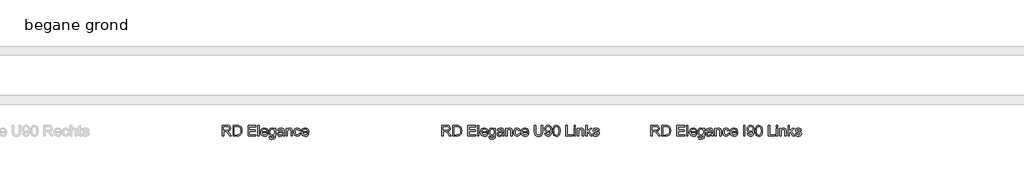
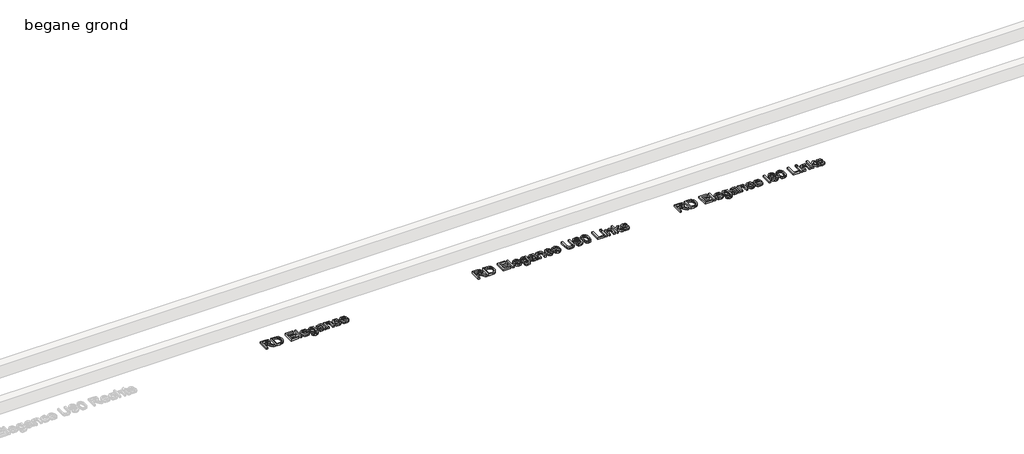
# One storey, part 3 of 3: 3 proxies.
"""IFC4 building model written with IfcOpenShell, lengths in millimetres."""

from ifc_helpers import new_model, si_unit, origin, origin_with_axes, place, context, project, spatial, polyline, outline, extrude, element, save

model = new_model("IFC4")

# Units and contexts
model_context = context("Model", 3, world=origin())
ifc_project = project(units=[si_unit("LENGTHUNIT", "METRE", prefix="MILLI")], contexts=[model_context])

# Site, building, storey
site = spatial("IfcSite", under=ifc_project)
building = spatial("IfcBuilding", under=site)
storey = spatial("IfcBuildingStorey", under=building, Name="begane grond", Elevation=0.0)

# Proxies
placement = place(None, origin())
element("IfcBuildingElementProxy", 1, Name="Generic Models", at=placement, inside=storey, context=model_context, shape_type="SweptSolid", body=[
    extrude(outline(polyline([(-500.4371783, -13739.732296), (-500.4371783, -13616.6553729), (-447.4023225, -13616.6553729), (-422.7779235, -13619.9756854), (-409.316385, -13631.7244835), (-404.2833321, -13650.3392671), (-406.3679174, -13662.4636662), (-412.6216735, -13672.5147479), (-423.2324006, -13679.8840388), (-438.3878994, -13683.9630652), (-429.643909, -13690.5435941), (-417.1739571, -13706.3789306), (-396.6511206, -13739.732296), (-414.5297263, -13739.732296), (-430.5453513, -13714.2214787), (-442.113861, -13697.3344594), (-450.2418658, -13689.356695), (-457.5585725, -13686.4270075), (-466.4828513, -13685.8861421), (-485.0525629, -13685.8861421), (-485.0525629, -13739.732296), (-500.4371783, -13739.732296)]), holes=[polyline([(-485.0525629, -13670.5015267), (-450.6174667, -13670.5015267), (-433.0543658, -13668.3230412), (-423.0784042, -13661.3518873), (-419.6679475, -13650.9101806), (-421.2942997, -13643.4056734), (-426.1733561, -13637.3584979), (-434.5680376, -13633.3696157), (-446.7412648, -13632.0399883), (-485.0525629, -13632.0399883), (-485.0525629, -13670.5015267)])]), origin_with_axes(), (0.0, 0.0, 1.0), 20.0),
    extrude(outline(polyline([(-377.3602552, -13739.732296), (-377.3602552, -13616.6553729), (-334.9023225, -13616.6553729), (-312.9371783, -13618.4282094), (-294.848236, -13627.232296), (-286.3371182, -13636.607296), (-280.2749186, -13648.2659498), (-275.4371783, -13677.5327767), (-278.7124186, -13702.3675123), (-287.1258802, -13720.2911902), (-298.363861, -13731.4540508), (-313.0723946, -13737.6289306), (-332.8590533, -13739.732296), (-377.3602552, -13739.732296)]), holes=[polyline([(-361.9756398, -13724.3476806), (-334.7520821, -13724.3476806), (-314.9503994, -13722.1241229), (-303.5321302, -13715.8440748), (-294.1721542, -13700.5646277), (-290.8217936, -13677.2923921), (-292.4631698, -13660.5255652), (-297.3872985, -13648.1457575), (-304.6626891, -13639.6421517), (-313.3578513, -13634.5039306), (-335.1727552, -13632.0399883), (-361.9756398, -13632.0399883), (-361.9756398, -13724.3476806)])]), origin_with_axes(), (0.0, 0.0, 1.0), 20.0),
    extrude(outline(polyline([(-206.206409, -13739.732296), (-206.206409, -13616.6553729), (-117.7448706, -13616.6553729), (-117.7448706, -13632.0399883), (-190.8217936, -13632.0399883), (-190.8217936, -13668.5784498), (-121.5910244, -13668.5784498), (-121.5910244, -13683.9630652), (-190.8217936, -13683.9630652), (-190.8217936, -13724.3476806), (-115.8217936, -13724.3476806), (-115.8217936, -13739.732296), (-206.206409, -13739.732296)])), origin_with_axes(), (0.0, 0.0, 1.0), 20.0),
    extrude(outline(polyline([(-94.6679475, -13739.732296), (-94.6679475, -13616.6553729), (-79.2833321, -13616.6553729), (-79.2833321, -13739.732296), (-94.6679475, -13739.732296)])), origin_with_axes(), (0.0, 0.0, 1.0), 20.0),
    extrude(outline(polyline([(7.074841, -13712.8092191), (22.1589756, -13714.732296), (16.7240297, -13726.0979811), (8.0514035, -13734.5940748), (-3.6635905, -13739.8900484), (-18.2256398, -13741.6553729), (-36.277022, -13738.6092491), (-50.1667456, -13729.4708777), (-59.0234162, -13714.8337082), (-61.9756398, -13695.2911902), (-58.9933682, -13675.0913705), (-50.0465533, -13659.9846998), (-36.3446302, -13650.5646277), (-19.097034, -13647.4246037), (-2.3865472, -13650.5571157), (10.9660669, -13659.9546517), (19.7213253, -13675.0312743), (22.6397448, -13695.201046), (22.5496006, -13699.3476806), (-46.5910244, -13699.3476806), (-43.9280136, -13710.8636061), (-37.7418658, -13719.3296517), (-28.8138309, -13724.5354811), (-17.925159, -13726.2707575), (-2.8410244, -13723.0556133), (7.074841, -13712.8092191)]), holes=[polyline([(-46.5910244, -13683.9630652), (7.2551294, -13683.9630652), (1.0952737, -13670.0207575), (-7.8740773, -13664.6121037), (-19.1571302, -13662.8092191), (-29.5274727, -13664.2477707), (-38.1024427, -13668.5634258), (-44.0632299, -13675.290439), (-46.5910244, -13683.9630652)])]), origin_with_axes(), (0.0, 0.0, 1.0), 20.0),
    extrude(outline(polyline([(34.1782064, -13747.4246037), (49.5628217, -13749.3476806), (54.5508025, -13757.4606614), (69.4846967, -13760.8861421), (85.229889, -13757.0099402), (92.7419083, -13746.1325364), (93.793591, -13728.1938344), (82.9612592, -13736.8476806), (69.7551294, -13739.732296), (53.8935008, -13736.3744234), (42.0658265, -13726.3008056), (34.7078037, -13711.5321758), (32.2551294, -13694.0892671), (36.6571727, -13670.2461181), (49.3975573, -13653.3741229), (58.4683205, -13648.9119835), (69.0039275, -13647.4246037), (82.7283866, -13650.7899883), (93.793591, -13660.8861421), (93.793591, -13649.3476806), (109.1782064, -13649.3476806), (109.1782064, -13727.3825364), (104.9714756, -13757.2653489), (91.6451535, -13771.1625844), (69.184216, -13776.2707575), (54.8700633, -13774.4716289), (43.5982785, -13769.0742431), (36.36796, -13760.063576), (34.1782064, -13747.4246037)]), holes=[polyline([(47.6397448, -13693.0375844), (49.281121, -13707.1489126), (54.2052496, -13716.8506854), (61.6083446, -13722.4734318), (70.6866198, -13724.3476806), (79.6972869, -13722.4846998), (87.1379419, -13716.8957575), (92.1296787, -13707.317933), (93.793591, -13693.4883056), (92.0808506, -13680.1507154), (86.9426294, -13670.5465989), (79.3930501, -13664.743564), (70.4462352, -13662.8092191), (61.6609287, -13664.7135159), (54.2953939, -13670.4264066), (49.3036571, -13679.8877948), (47.6397448, -13693.0375844)])]), origin_with_axes(), (0.0, 0.0, 1.0), 20.0),
    extrude(outline(polyline([(189.9474371, -13728.1938344), (175.0285669, -13738.6205171), (158.5471967, -13741.6553729), (145.6903758, -13739.8299522), (136.2064515, -13734.3536902), (130.3583446, -13726.0378849), (128.4089756, -13715.6938344), (131.3536871, -13703.5243633), (139.0910669, -13694.6902287), (149.8633025, -13689.6421517), (163.1746006, -13687.3284498), (189.8572929, -13682.0399883), (189.9474371, -13678.6145075), (185.7106583, -13667.2563344), (168.7034467, -13662.8092191), (153.1385429, -13665.7689546), (145.7166679, -13676.2707575), (130.3320525, -13674.3476806), (136.9877015, -13659.3236421), (150.3891439, -13650.5195556), (170.6866198, -13647.4246037), (189.3314515, -13650.1589787), (199.8633025, -13657.0249642), (204.5808506, -13667.466671), (205.3320525, -13680.9282094), (205.3320525, -13700.0688344), (206.1133025, -13726.7965989), (209.1782064, -13739.732296), (193.793591, -13739.732296), (189.9474371, -13728.1938344)]), holes=[polyline([(189.9474371, -13697.4246037), (165.1277256, -13702.1421517), (151.8915477, -13704.6361421), (145.8969564, -13708.6926325), (143.793591, -13714.6121037), (148.3759227, -13722.935421), (161.8224371, -13726.2707575), (177.387341, -13722.5898681), (187.4233987, -13713.6806133), (189.8572929, -13701.7815748), (189.9474371, -13697.4246037)])]), origin_with_axes(), (0.0, 0.0, 1.0), 20.0),
    extrude(outline(polyline([(226.4858987, -13739.732296), (226.4858987, -13649.3476806), (241.870514, -13649.3476806), (241.870514, -13661.9678729), (253.6343362, -13651.060421), (269.6950333, -13647.4246037), (284.2232785, -13650.3542912), (294.1391439, -13658.0465989), (298.7515237, -13669.3596998), (299.5628217, -13684.2334979), (299.5628217, -13739.732296), (284.1782064, -13739.732296), (284.1782064, -13686.3068152), (282.4053698, -13672.6950364), (276.1403458, -13665.4985219), (265.5784467, -13662.8092191), (256.5677797, -13664.3191349), (248.88674, -13668.8488825), (243.6245705, -13677.6003849), (241.870514, -13691.7755652), (241.870514, -13739.732296), (226.4858987, -13739.732296)])), origin_with_axes(), (0.0, 0.0, 1.0), 20.0),
    extrude(outline(polyline([(378.4089756, -13707.0399883), (393.793591, -13708.9630652), (389.504228, -13722.6462082), (381.4438314, -13732.9865027), (370.371115, -13739.4881553), (357.0447929, -13741.6553729), (340.679859, -13738.6317852), (327.8831342, -13729.5610219), (319.6236691, -13714.8412203), (316.870514, -13694.8705171), (321.5730381, -13669.3146277), (327.5075333, -13659.7330472), (335.9059708, -13652.8933537), (356.8344564, -13647.4246037), (369.8340056, -13649.3026085), (380.2268842, -13654.9366229), (387.6825633, -13664.0261662), (391.870514, -13676.2707575), (376.4858987, -13678.1938344), (369.3494804, -13666.6703969), (356.9546487, -13662.8092191), (347.0124912, -13664.7097599), (339.121115, -13670.4113825), (333.9716258, -13680.2220796), (332.2551294, -13694.4498441), (333.9340657, -13708.869165), (338.9708746, -13718.7136662), (346.7195225, -13724.3814847), (356.5339756, -13726.2707575), (371.0321727, -13721.5532094), (378.4089756, -13707.0399883)])), origin_with_axes(), (0.0, 0.0, 1.0), 20.0),
    extrude(outline(polyline([(470.5363794, -13712.8092191), (485.620514, -13714.732296), (480.1855681, -13726.0979811), (471.5129419, -13734.5940748), (459.7979479, -13739.8900484), (445.2358987, -13741.6553729), (427.1845165, -13738.6092491), (413.2947929, -13729.4708777), (404.4381222, -13714.8337082), (401.4858987, -13695.2911902), (404.4681703, -13675.0913705), (413.4149852, -13659.9846998), (427.1169083, -13650.5646277), (444.3645044, -13647.4246037), (461.0749912, -13650.5571157), (474.4276054, -13659.9546517), (483.1828638, -13675.0312743), (486.1012833, -13695.201046), (486.011139, -13699.3476806), (416.870514, -13699.3476806), (419.5335249, -13710.8636061), (425.7196727, -13719.3296517), (434.6477076, -13724.5354811), (445.5363794, -13726.2707575), (460.620514, -13723.0556133), (470.5363794, -13712.8092191)]), holes=[polyline([(416.870514, -13683.9630652), (470.7166679, -13683.9630652), (464.5568121, -13670.0207575), (455.5874612, -13664.6121037), (444.3044083, -13662.8092191), (433.9340657, -13664.2477707), (425.3590958, -13668.5634258), (419.3983085, -13675.290439), (416.870514, -13683.9630652)])]), origin_with_axes(), (0.0, 0.0, 1.0), 20.0),
])
element("IfcBuildingElementProxy", 2, Name="Generic Models", at=placement, inside=storey, context=model_context, shape_type="SweptSolid", body=[
    extrude(outline(polyline([(4381.4858987, -13739.732296), (4381.4858987, -13616.6553729), (4434.5207544, -13616.6553729), (4459.1451535, -13619.9756854), (4472.6066919, -13631.7244835), (4477.6397448, -13650.3392671), (4475.5551595, -13662.4636662), (4469.3014035, -13672.5147479), (4458.6906763, -13679.8840388), (4443.5351775, -13683.9630652), (4452.2791679, -13690.5435941), (4464.7491198, -13706.3789306), (4485.2719564, -13739.732296), (4467.3933506, -13739.732296), (4451.3777256, -13714.2214787), (4439.809216, -13697.3344594), (4431.6812112, -13689.356695), (4424.3645044, -13686.4270075), (4415.4402256, -13685.8861421), (4396.870514, -13685.8861421), (4396.870514, -13739.732296), (4381.4858987, -13739.732296)]), holes=[polyline([(4396.870514, -13670.5015267), (4431.3056102, -13670.5015267), (4448.8687112, -13668.3230412), (4458.8446727, -13661.3518873), (4462.2551294, -13650.9101806), (4460.6287773, -13643.4056734), (4455.7497208, -13637.3584979), (4447.3550393, -13633.3696157), (4435.1818121, -13632.0399883), (4396.870514, -13632.0399883), (4396.870514, -13670.5015267)])]), origin_with_axes(), (0.0, 0.0, 1.0), 20.0),
    extrude(outline(polyline([(4504.5628217, -13739.732296), (4504.5628217, -13616.6553729), (4547.0207544, -13616.6553729), (4568.9858987, -13618.4282094), (4587.074841, -13627.232296), (4595.5859588, -13636.607296), (4601.6481583, -13648.2659498), (4606.4858987, -13677.5327767), (4603.2106583, -13702.3675123), (4594.7971967, -13720.2911902), (4583.559216, -13731.4540508), (4568.8506823, -13737.6289306), (4549.0640237, -13739.732296), (4504.5628217, -13739.732296)]), holes=[polyline([(4519.9474371, -13724.3476806), (4547.1709948, -13724.3476806), (4566.9726775, -13722.1241229), (4578.3909467, -13715.8440748), (4587.7509227, -13700.5646277), (4591.1012833, -13677.2923921), (4589.4599071, -13660.5255652), (4584.5357785, -13648.1457575), (4577.2603878, -13639.6421517), (4568.5652256, -13634.5039306), (4546.7503217, -13632.0399883), (4519.9474371, -13632.0399883), (4519.9474371, -13724.3476806)])]), origin_with_axes(), (0.0, 0.0, 1.0), 20.0),
    extrude(outline(polyline([(4675.7166679, -13739.732296), (4675.7166679, -13616.6553729), (4764.1782064, -13616.6553729), (4764.1782064, -13632.0399883), (4691.1012833, -13632.0399883), (4691.1012833, -13668.5784498), (4760.3320525, -13668.5784498), (4760.3320525, -13683.9630652), (4691.1012833, -13683.9630652), (4691.1012833, -13724.3476806), (4766.1012833, -13724.3476806), (4766.1012833, -13739.732296), (4675.7166679, -13739.732296)])), origin_with_axes(), (0.0, 0.0, 1.0), 20.0),
    extrude(outline(polyline([(4787.2551294, -13739.732296), (4787.2551294, -13616.6553729), (4802.6397448, -13616.6553729), (4802.6397448, -13739.732296), (4787.2551294, -13739.732296)])), origin_with_axes(), (0.0, 0.0, 1.0), 20.0),
    extrude(outline(polyline([(4888.9979179, -13712.8092191), (4904.0820525, -13714.732296), (4898.6471066, -13726.0979811), (4889.9744804, -13734.5940748), (4878.2594864, -13739.8900484), (4863.6974371, -13741.6553729), (4845.6460549, -13738.6092491), (4831.7563314, -13729.4708777), (4822.8996607, -13714.8337082), (4819.9474371, -13695.2911902), (4822.9297088, -13675.0913705), (4831.8765237, -13659.9846998), (4845.5784467, -13650.5646277), (4862.8260429, -13647.4246037), (4879.5365297, -13650.5571157), (4892.8891439, -13659.9546517), (4901.6444023, -13675.0312743), (4904.5628217, -13695.201046), (4904.4726775, -13699.3476806), (4835.3320525, -13699.3476806), (4837.9950633, -13710.8636061), (4844.1812112, -13719.3296517), (4853.109246, -13724.5354811), (4863.9979179, -13726.2707575), (4879.0820525, -13723.0556133), (4888.9979179, -13712.8092191)]), holes=[polyline([(4835.3320525, -13683.9630652), (4889.1782064, -13683.9630652), (4883.0183506, -13670.0207575), (4874.0489996, -13664.6121037), (4862.7659467, -13662.8092191), (4852.3956042, -13664.2477707), (4843.8206342, -13668.5634258), (4837.859847, -13675.290439), (4835.3320525, -13683.9630652)])]), origin_with_axes(), (0.0, 0.0, 1.0), 20.0),
    extrude(outline(polyline([(4916.1012833, -13747.4246037), (4931.4858987, -13749.3476806), (4936.4738794, -13757.4606614), (4951.4077737, -13760.8861421), (4967.152966, -13757.0099402), (4974.6649852, -13746.1325364), (4975.7166679, -13728.1938344), (4964.8843362, -13736.8476806), (4951.6782064, -13739.732296), (4935.8165778, -13736.3744234), (4923.9889035, -13726.3008056), (4916.6308806, -13711.5321758), (4914.1782064, -13694.0892671), (4918.5802496, -13670.2461181), (4931.3206342, -13653.3741229), (4940.3913975, -13648.9119835), (4950.9270044, -13647.4246037), (4964.6514636, -13650.7899883), (4975.7166679, -13660.8861421), (4975.7166679, -13649.3476806), (4991.1012833, -13649.3476806), (4991.1012833, -13727.3825364), (4986.8945525, -13757.2653489), (4973.5682304, -13771.1625844), (4951.1072929, -13776.2707575), (4936.7931403, -13774.4716289), (4925.5213554, -13769.0742431), (4918.2910369, -13760.063576), (4916.1012833, -13747.4246037)]), holes=[polyline([(4929.5628217, -13693.0375844), (4931.2041979, -13707.1489126), (4936.1283265, -13716.8506854), (4943.5314215, -13722.4734318), (4952.6096967, -13724.3476806), (4961.6203638, -13722.4846998), (4969.0610189, -13716.8957575), (4974.0527556, -13707.317933), (4975.7166679, -13693.4883056), (4974.0039275, -13680.1507154), (4968.8657064, -13670.5465989), (4961.316127, -13664.743564), (4952.3693121, -13662.8092191), (4943.5840056, -13664.7135159), (4936.2184708, -13670.4264066), (4931.226734, -13679.8877948), (4929.5628217, -13693.0375844)])]), origin_with_axes(), (0.0, 0.0, 1.0), 20.0),
    extrude(outline(polyline([(5071.870514, -13728.1938344), (5056.9516439, -13738.6205171), (5040.4702737, -13741.6553729), (5027.6134528, -13739.8299522), (5018.1295285, -13734.3536902), (5012.2814215, -13726.0378849), (5010.3320525, -13715.6938344), (5013.276764, -13703.5243633), (5021.0141439, -13694.6902287), (5031.7863794, -13689.6421517), (5045.0976775, -13687.3284498), (5071.7803698, -13682.0399883), (5071.870514, -13678.6145075), (5067.6337352, -13667.2563344), (5050.6265237, -13662.8092191), (5035.0616198, -13665.7689546), (5027.6397448, -13676.2707575), (5012.2551294, -13674.3476806), (5018.9107785, -13659.3236421), (5032.3122208, -13650.5195556), (5052.6096967, -13647.4246037), (5071.2545285, -13650.1589787), (5081.7863794, -13657.0249642), (5086.5039275, -13667.466671), (5087.2551294, -13680.9282094), (5087.2551294, -13700.0688344), (5088.0363794, -13726.7965989), (5091.1012833, -13739.732296), (5075.7166679, -13739.732296), (5071.870514, -13728.1938344)]), holes=[polyline([(5071.870514, -13697.4246037), (5047.0508025, -13702.1421517), (5033.8146246, -13704.6361421), (5027.8200333, -13708.6926325), (5025.7166679, -13714.6121037), (5030.2989996, -13722.935421), (5043.745514, -13726.2707575), (5059.3104179, -13722.5898681), (5069.3464756, -13713.6806133), (5071.7803698, -13701.7815748), (5071.870514, -13697.4246037)])]), origin_with_axes(), (0.0, 0.0, 1.0), 20.0),
    extrude(outline(polyline([(5108.4089756, -13739.732296), (5108.4089756, -13649.3476806), (5123.793591, -13649.3476806), (5123.793591, -13661.9678729), (5135.5574131, -13651.060421), (5151.6181102, -13647.4246037), (5166.1463554, -13650.3542912), (5176.0622208, -13658.0465989), (5180.6746006, -13669.3596998), (5181.4858987, -13684.2334979), (5181.4858987, -13739.732296), (5166.1012833, -13739.732296), (5166.1012833, -13686.3068152), (5164.3284467, -13672.6950364), (5158.0634227, -13665.4985219), (5147.5015237, -13662.8092191), (5138.4908566, -13664.3191349), (5130.8098169, -13668.8488825), (5125.5476475, -13677.6003849), (5123.793591, -13691.7755652), (5123.793591, -13739.732296), (5108.4089756, -13739.732296)])), origin_with_axes(), (0.0, 0.0, 1.0), 20.0),
    extrude(outline(polyline([(5260.3320525, -13707.0399883), (5275.7166679, -13708.9630652), (5271.4273049, -13722.6462082), (5263.3669083, -13732.9865027), (5252.2941919, -13739.4881553), (5238.9678698, -13741.6553729), (5222.6029359, -13738.6317852), (5209.8062112, -13729.5610219), (5201.546746, -13714.8412203), (5198.793591, -13694.8705171), (5203.496115, -13669.3146277), (5209.4306102, -13659.7330472), (5217.8290477, -13652.8933537), (5238.7575333, -13647.4246037), (5251.7570826, -13649.3026085), (5262.1499612, -13654.9366229), (5269.6056403, -13664.0261662), (5273.793591, -13676.2707575), (5258.4089756, -13678.1938344), (5251.2725573, -13666.6703969), (5238.8777256, -13662.8092191), (5228.9355681, -13664.7097599), (5221.0441919, -13670.4113825), (5215.8947028, -13680.2220796), (5214.1782064, -13694.4498441), (5215.8571427, -13708.869165), (5220.8939515, -13718.7136662), (5228.6425994, -13724.3814847), (5238.4570525, -13726.2707575), (5252.9552496, -13721.5532094), (5260.3320525, -13707.0399883)])), origin_with_axes(), (0.0, 0.0, 1.0), 20.0),
    extrude(outline(polyline([(5352.4594564, -13712.8092191), (5367.543591, -13714.732296), (5362.1086451, -13726.0979811), (5353.4360189, -13734.5940748), (5341.7210249, -13739.8900484), (5327.1589756, -13741.6553729), (5309.1075934, -13738.6092491), (5295.2178698, -13729.4708777), (5286.3611991, -13714.8337082), (5283.4089756, -13695.2911902), (5286.3912472, -13675.0913705), (5295.3380621, -13659.9846998), (5309.0399852, -13650.5646277), (5326.2875814, -13647.4246037), (5342.9980681, -13650.5571157), (5356.3506823, -13659.9546517), (5365.1059407, -13675.0312743), (5368.0243602, -13695.201046), (5367.934216, -13699.3476806), (5298.793591, -13699.3476806), (5301.4566018, -13710.8636061), (5307.6427496, -13719.3296517), (5316.5707845, -13724.5354811), (5327.4594564, -13726.2707575), (5342.543591, -13723.0556133), (5352.4594564, -13712.8092191)]), holes=[polyline([(5298.793591, -13683.9630652), (5352.6397448, -13683.9630652), (5346.479889, -13670.0207575), (5337.5105381, -13664.6121037), (5326.2274852, -13662.8092191), (5315.8571427, -13664.2477707), (5307.2821727, -13668.5634258), (5301.3213854, -13675.290439), (5298.793591, -13683.9630652)])]), origin_with_axes(), (0.0, 0.0, 1.0), 20.0),
    extrude(outline(polyline([(5435.3320525, -13739.732296), (5435.3320525, -13616.6553729), (5450.7166679, -13616.6553729), (5450.7166679, -13739.732296), (5435.3320525, -13739.732296)])), origin_with_axes(), (0.0, 0.0, 1.0), 20.0),
    extrude(outline(polyline([(5477.6397448, -13708.9630652), (5493.0243602, -13707.0399883), (5499.9354179, -13721.7184739), (5513.0363794, -13726.2707575), (5525.4913073, -13723.34107), (5533.9348169, -13715.513546), (5538.9678698, -13702.1421517), (5541.1914275, -13684.2935941), (5541.1012833, -13681.2887864), (5528.7965958, -13692.9474402), (5511.9246006, -13697.4246037), (5497.8959047, -13694.6902287), (5486.2184708, -13686.4871037), (5478.3421186, -13673.8143272), (5475.7166679, -13657.6709979), (5478.4698229, -13640.9943152), (5486.7292881, -13627.9234017), (5499.1353878, -13619.4723801), (5514.3284467, -13616.6553729), (5525.8030561, -13618.262945), (5536.2485189, -13623.0856614), (5544.9849972, -13630.8831373), (5551.3326535, -13641.4149883), (5555.1975874, -13655.9732816), (5556.4858987, -13675.8500844), (5555.2013434, -13696.9250544), (5551.3476775, -13713.2148681), (5544.9587052, -13725.4557034), (5536.0682304, -13734.3837383), (5525.0593662, -13739.8374642), (5512.3152256, -13741.6553729), (5499.1616799, -13739.5106914), (5488.667389, -13733.0766469), (5481.3281463, -13722.7588885), (5477.6397448, -13708.9630652)]), holes=[polyline([(5541.1012833, -13657.310421), (5539.441127, -13646.8837383), (5534.4606583, -13638.8609017), (5526.7307905, -13633.7452166), (5516.8224371, -13632.0399883), (5506.5459948, -13633.876677), (5498.3128217, -13639.3867431), (5492.9041679, -13647.8189847), (5491.1012833, -13658.4221998), (5492.8065116, -13667.9286602), (5497.9221967, -13675.4744835), (5505.9525453, -13680.3986121), (5516.401764, -13682.0399883), (5526.2312412, -13680.3986121), (5534.1451535, -13675.4744835), (5539.3622508, -13667.6507154), (5541.1012833, -13657.310421)])]), origin_with_axes(), (0.0, 0.0, 1.0), 20.0),
    extrude(outline(polyline([(5569.9474371, -13679.185421), (5574.4696727, -13643.7737623), (5580.0886631, -13631.8108717), (5587.9011631, -13623.3560941), (5597.9635128, -13618.3305532), (5610.3320525, -13616.6553729), (5628.3008025, -13620.6217191), (5640.7106583, -13632.0550123), (5647.9221967, -13650.2641469), (5650.7166679, -13679.185421), (5646.2395044, -13714.4468392), (5640.6543181, -13726.4209979), (5632.8530862, -13734.9095796), (5622.7682003, -13739.9689246), (5610.3320525, -13741.6553729), (5594.3464756, -13738.7256854), (5582.2070525, -13729.9366229), (5573.012341, -13709.1208176), (5569.9474371, -13679.185421)]), holes=[polyline([(5585.3320525, -13679.1553729), (5587.1349371, -13703.3553428), (5592.543591, -13717.3615027), (5600.5964756, -13724.0434438), (5610.3320525, -13726.2707575), (5620.0676294, -13724.0359318), (5628.120514, -13717.3314546), (5633.5291679, -13703.3177828), (5635.3320525, -13679.1553729), (5633.589264, -13655.5000243), (5628.3608987, -13641.3849402), (5620.3230381, -13634.3762263), (5610.151764, -13632.0399883), (5600.5213554, -13634.0982816), (5592.7839756, -13640.2731614), (5587.1950333, -13655.2671517), (5585.3320525, -13679.1553729)])]), origin_with_axes(), (0.0, 0.0, 1.0), 20.0),
    extrude(outline(polyline([(5718.0243602, -13739.732296), (5718.0243602, -13616.6553729), (5733.4089756, -13616.6553729), (5733.4089756, -13724.3476806), (5794.9474371, -13724.3476806), (5794.9474371, -13739.732296), (5718.0243602, -13739.732296)])), origin_with_axes(), (0.0, 0.0, 1.0), 20.0),
    extrude(outline(polyline([(5810.3320525, -13739.732296), (5810.3320525, -13649.3476806), (5825.7166679, -13649.3476806), (5825.7166679, -13739.732296), (5810.3320525, -13739.732296)])), origin_with_axes(), (0.0, 0.0, 1.0), 20.0),
    extrude(outline(polyline([(5810.3320525, -13632.0399883), (5810.3320525, -13616.6553729), (5825.7166679, -13616.6553729), (5825.7166679, -13632.0399883), (5810.3320525, -13632.0399883)])), origin_with_axes(), (0.0, 0.0, 1.0), 20.0),
    extrude(outline(polyline([(5848.793591, -13739.732296), (5848.793591, -13649.3476806), (5864.1782064, -13649.3476806), (5864.1782064, -13661.9678729), (5875.9420285, -13651.060421), (5892.0027256, -13647.4246037), (5906.5309708, -13650.3542912), (5916.4468362, -13658.0465989), (5921.059216, -13669.3596998), (5921.870514, -13684.2334979), (5921.870514, -13739.732296), (5906.4858987, -13739.732296), (5906.4858987, -13686.3068152), (5904.7130621, -13672.6950364), (5898.4480381, -13665.4985219), (5887.886139, -13662.8092191), (5878.875472, -13664.3191349), (5871.1944323, -13668.8488825), (5865.9322628, -13677.6003849), (5864.1782064, -13691.7755652), (5864.1782064, -13739.732296), (5848.793591, -13739.732296)])), origin_with_axes(), (0.0, 0.0, 1.0), 20.0),
    extrude(outline(polyline([(5943.0243602, -13739.732296), (5943.0243602, -13616.6553729), (5958.4089756, -13616.6553729), (5958.4089756, -13682.7911902), (5992.9041679, -13649.3476806), (6014.1782064, -13649.3476806), (5979.262341, -13683.2118633), (6016.1012833, -13739.732296), (5998.1325333, -13739.732296), (5968.2346967, -13693.9089787), (5958.4089756, -13703.4342191), (5958.4089756, -13739.732296), (5943.0243602, -13739.732296)])), origin_with_axes(), (0.0, 0.0, 1.0), 20.0),
    extrude(outline(polyline([(6023.793591, -13712.8092191), (6039.1782064, -13710.8861421), (6046.2996006, -13722.3044114), (6062.6157064, -13726.2707575), (6078.3008025, -13722.6349402), (6083.4089756, -13714.1012864), (6078.2707544, -13707.1902287), (6062.4354179, -13702.8032094), (6039.2683506, -13695.2761662), (6029.1571727, -13686.4871037), (6025.7166679, -13674.0772479), (6028.481091, -13662.6139066), (6036.0231583, -13653.8548921), (6045.8038073, -13649.3026085), (6059.0399852, -13647.4246037), (6077.7599371, -13650.4444354), (6089.6589756, -13658.6175123), (6094.9474371, -13672.4246037), (6079.5628217, -13674.3476806), (6073.7785669, -13665.8590989), (6060.2419083, -13662.8092191), (6045.5183506, -13665.7238825), (6041.1012833, -13672.5147479), (6042.934216, -13676.9919114), (6048.6733987, -13680.3873441), (6061.9246006, -13683.6625844), (6084.5057304, -13690.904171), (6094.9925092, -13699.107296), (6098.793591, -13712.4786902), (6094.3314515, -13727.2022479), (6081.4558506, -13737.8843392), (6062.4053698, -13741.6553729), (6046.8930501, -13739.8374642), (6035.5724371, -13734.3837383), (6028.0153458, -13725.3542912), (6023.793591, -13712.8092191)])), origin_with_axes(), (0.0, 0.0, 1.0), 20.0),
])
element("IfcBuildingElementProxy", 3, Name="Generic Models", at=placement, inside=storey, context=model_context, shape_type="SweptSolid", body=[
    extrude(outline(polyline([(2001.4858987, -13739.732296), (2001.4858987, -13616.6553729), (2054.5207544, -13616.6553729), (2079.1451535, -13619.9756854), (2092.6066919, -13631.7244835), (2097.6397448, -13650.3392671), (2095.5551595, -13662.4636662), (2089.3014035, -13672.5147479), (2078.6906763, -13679.8840388), (2063.5351775, -13683.9630652), (2072.2791679, -13690.5435941), (2084.7491198, -13706.3789306), (2105.2719564, -13739.732296), (2087.3933506, -13739.732296), (2071.3777256, -13714.2214787), (2059.809216, -13697.3344594), (2051.6812112, -13689.356695), (2044.3645044, -13686.4270075), (2035.4402256, -13685.8861421), (2016.870514, -13685.8861421), (2016.870514, -13739.732296), (2001.4858987, -13739.732296)]), holes=[polyline([(2016.870514, -13670.5015267), (2051.3056102, -13670.5015267), (2068.8687112, -13668.3230412), (2078.8446727, -13661.3518873), (2082.2551294, -13650.9101806), (2080.6287773, -13643.4056734), (2075.7497208, -13637.3584979), (2067.3550393, -13633.3696157), (2055.1818121, -13632.0399883), (2016.870514, -13632.0399883), (2016.870514, -13670.5015267)])]), origin_with_axes(), (0.0, 0.0, 1.0), 20.0),
    extrude(outline(polyline([(2124.5628217, -13739.732296), (2124.5628217, -13616.6553729), (2167.0207544, -13616.6553729), (2188.9858987, -13618.4282094), (2207.074841, -13627.232296), (2215.5859588, -13636.607296), (2221.6481583, -13648.2659498), (2226.4858987, -13677.5327767), (2223.2106583, -13702.3675123), (2214.7971967, -13720.2911902), (2203.559216, -13731.4540508), (2188.8506823, -13737.6289306), (2169.0640237, -13739.732296), (2124.5628217, -13739.732296)]), holes=[polyline([(2139.9474371, -13724.3476806), (2167.1709948, -13724.3476806), (2186.9726775, -13722.1241229), (2198.3909467, -13715.8440748), (2207.7509227, -13700.5646277), (2211.1012833, -13677.2923921), (2209.4599071, -13660.5255652), (2204.5357785, -13648.1457575), (2197.2603878, -13639.6421517), (2188.5652256, -13634.5039306), (2166.7503217, -13632.0399883), (2139.9474371, -13632.0399883), (2139.9474371, -13724.3476806)])]), origin_with_axes(), (0.0, 0.0, 1.0), 20.0),
    extrude(outline(polyline([(2295.7166679, -13739.732296), (2295.7166679, -13616.6553729), (2384.1782064, -13616.6553729), (2384.1782064, -13632.0399883), (2311.1012833, -13632.0399883), (2311.1012833, -13668.5784498), (2380.3320525, -13668.5784498), (2380.3320525, -13683.9630652), (2311.1012833, -13683.9630652), (2311.1012833, -13724.3476806), (2386.1012833, -13724.3476806), (2386.1012833, -13739.732296), (2295.7166679, -13739.732296)])), origin_with_axes(), (0.0, 0.0, 1.0), 20.0),
    extrude(outline(polyline([(2407.2551294, -13739.732296), (2407.2551294, -13616.6553729), (2422.6397448, -13616.6553729), (2422.6397448, -13739.732296), (2407.2551294, -13739.732296)])), origin_with_axes(), (0.0, 0.0, 1.0), 20.0),
    extrude(outline(polyline([(2508.9979179, -13712.8092191), (2524.0820525, -13714.732296), (2518.6471066, -13726.0979811), (2509.9744804, -13734.5940748), (2498.2594864, -13739.8900484), (2483.6974371, -13741.6553729), (2465.6460549, -13738.6092491), (2451.7563314, -13729.4708777), (2442.8996607, -13714.8337082), (2439.9474371, -13695.2911902), (2442.9297088, -13675.0913705), (2451.8765237, -13659.9846998), (2465.5784467, -13650.5646277), (2482.8260429, -13647.4246037), (2499.5365297, -13650.5571157), (2512.8891439, -13659.9546517), (2521.6444023, -13675.0312743), (2524.5628217, -13695.201046), (2524.4726775, -13699.3476806), (2455.3320525, -13699.3476806), (2457.9950633, -13710.8636061), (2464.1812112, -13719.3296517), (2473.109246, -13724.5354811), (2483.9979179, -13726.2707575), (2499.0820525, -13723.0556133), (2508.9979179, -13712.8092191)]), holes=[polyline([(2455.3320525, -13683.9630652), (2509.1782064, -13683.9630652), (2503.0183506, -13670.0207575), (2494.0489996, -13664.6121037), (2482.7659467, -13662.8092191), (2472.3956042, -13664.2477707), (2463.8206342, -13668.5634258), (2457.859847, -13675.290439), (2455.3320525, -13683.9630652)])]), origin_with_axes(), (0.0, 0.0, 1.0), 20.0),
    extrude(outline(polyline([(2536.1012833, -13747.4246037), (2551.4858987, -13749.3476806), (2556.4738794, -13757.4606614), (2571.4077737, -13760.8861421), (2587.152966, -13757.0099402), (2594.6649852, -13746.1325364), (2595.7166679, -13728.1938344), (2584.8843362, -13736.8476806), (2571.6782064, -13739.732296), (2555.8165778, -13736.3744234), (2543.9889035, -13726.3008056), (2536.6308806, -13711.5321758), (2534.1782064, -13694.0892671), (2538.5802496, -13670.2461181), (2551.3206342, -13653.3741229), (2560.3913975, -13648.9119835), (2570.9270044, -13647.4246037), (2584.6514636, -13650.7899883), (2595.7166679, -13660.8861421), (2595.7166679, -13649.3476806), (2611.1012833, -13649.3476806), (2611.1012833, -13727.3825364), (2606.8945525, -13757.2653489), (2593.5682304, -13771.1625844), (2571.1072929, -13776.2707575), (2556.7931403, -13774.4716289), (2545.5213554, -13769.0742431), (2538.2910369, -13760.063576), (2536.1012833, -13747.4246037)]), holes=[polyline([(2549.5628217, -13693.0375844), (2551.2041979, -13707.1489126), (2556.1283265, -13716.8506854), (2563.5314215, -13722.4734318), (2572.6096967, -13724.3476806), (2581.6203638, -13722.4846998), (2589.0610189, -13716.8957575), (2594.0527556, -13707.317933), (2595.7166679, -13693.4883056), (2594.0039275, -13680.1507154), (2588.8657064, -13670.5465989), (2581.316127, -13664.743564), (2572.3693121, -13662.8092191), (2563.5840056, -13664.7135159), (2556.2184708, -13670.4264066), (2551.226734, -13679.8877948), (2549.5628217, -13693.0375844)])]), origin_with_axes(), (0.0, 0.0, 1.0), 20.0),
    extrude(outline(polyline([(2691.870514, -13728.1938344), (2676.9516439, -13738.6205171), (2660.4702737, -13741.6553729), (2647.6134528, -13739.8299522), (2638.1295285, -13734.3536902), (2632.2814215, -13726.0378849), (2630.3320525, -13715.6938344), (2633.276764, -13703.5243633), (2641.0141439, -13694.6902287), (2651.7863794, -13689.6421517), (2665.0976775, -13687.3284498), (2691.7803698, -13682.0399883), (2691.870514, -13678.6145075), (2687.6337352, -13667.2563344), (2670.6265237, -13662.8092191), (2655.0616198, -13665.7689546), (2647.6397448, -13676.2707575), (2632.2551294, -13674.3476806), (2638.9107785, -13659.3236421), (2652.3122208, -13650.5195556), (2672.6096967, -13647.4246037), (2691.2545285, -13650.1589787), (2701.7863794, -13657.0249642), (2706.5039275, -13667.466671), (2707.2551294, -13680.9282094), (2707.2551294, -13700.0688344), (2708.0363794, -13726.7965989), (2711.1012833, -13739.732296), (2695.7166679, -13739.732296), (2691.870514, -13728.1938344)]), holes=[polyline([(2691.870514, -13697.4246037), (2667.0508025, -13702.1421517), (2653.8146246, -13704.6361421), (2647.8200333, -13708.6926325), (2645.7166679, -13714.6121037), (2650.2989996, -13722.935421), (2663.745514, -13726.2707575), (2679.3104179, -13722.5898681), (2689.3464756, -13713.6806133), (2691.7803698, -13701.7815748), (2691.870514, -13697.4246037)])]), origin_with_axes(), (0.0, 0.0, 1.0), 20.0),
    extrude(outline(polyline([(2728.4089756, -13739.732296), (2728.4089756, -13649.3476806), (2743.793591, -13649.3476806), (2743.793591, -13661.9678729), (2755.5574131, -13651.060421), (2771.6181102, -13647.4246037), (2786.1463554, -13650.3542912), (2796.0622208, -13658.0465989), (2800.6746006, -13669.3596998), (2801.4858987, -13684.2334979), (2801.4858987, -13739.732296), (2786.1012833, -13739.732296), (2786.1012833, -13686.3068152), (2784.3284467, -13672.6950364), (2778.0634227, -13665.4985219), (2767.5015237, -13662.8092191), (2758.4908566, -13664.3191349), (2750.8098169, -13668.8488825), (2745.5476475, -13677.6003849), (2743.793591, -13691.7755652), (2743.793591, -13739.732296), (2728.4089756, -13739.732296)])), origin_with_axes(), (0.0, 0.0, 1.0), 20.0),
    extrude(outline(polyline([(2880.3320525, -13707.0399883), (2895.7166679, -13708.9630652), (2891.4273049, -13722.6462082), (2883.3669083, -13732.9865027), (2872.2941919, -13739.4881553), (2858.9678698, -13741.6553729), (2842.6029359, -13738.6317852), (2829.8062112, -13729.5610219), (2821.546746, -13714.8412203), (2818.793591, -13694.8705171), (2823.496115, -13669.3146277), (2829.4306102, -13659.7330472), (2837.8290477, -13652.8933537), (2858.7575333, -13647.4246037), (2871.7570826, -13649.3026085), (2882.1499612, -13654.9366229), (2889.6056403, -13664.0261662), (2893.793591, -13676.2707575), (2878.4089756, -13678.1938344), (2871.2725573, -13666.6703969), (2858.8777256, -13662.8092191), (2848.9355681, -13664.7097599), (2841.0441919, -13670.4113825), (2835.8947028, -13680.2220796), (2834.1782064, -13694.4498441), (2835.8571427, -13708.869165), (2840.8939515, -13718.7136662), (2848.6425994, -13724.3814847), (2858.4570525, -13726.2707575), (2872.9552496, -13721.5532094), (2880.3320525, -13707.0399883)])), origin_with_axes(), (0.0, 0.0, 1.0), 20.0),
    extrude(outline(polyline([(2972.4594564, -13712.8092191), (2987.543591, -13714.732296), (2982.1086451, -13726.0979811), (2973.4360189, -13734.5940748), (2961.7210249, -13739.8900484), (2947.1589756, -13741.6553729), (2929.1075934, -13738.6092491), (2915.2178698, -13729.4708777), (2906.3611991, -13714.8337082), (2903.4089756, -13695.2911902), (2906.3912472, -13675.0913705), (2915.3380621, -13659.9846998), (2929.0399852, -13650.5646277), (2946.2875814, -13647.4246037), (2962.9980681, -13650.5571157), (2976.3506823, -13659.9546517), (2985.1059407, -13675.0312743), (2988.0243602, -13695.201046), (2987.934216, -13699.3476806), (2918.793591, -13699.3476806), (2921.4566018, -13710.8636061), (2927.6427496, -13719.3296517), (2936.5707845, -13724.5354811), (2947.4594564, -13726.2707575), (2962.543591, -13723.0556133), (2972.4594564, -13712.8092191)]), holes=[polyline([(2918.793591, -13683.9630652), (2972.6397448, -13683.9630652), (2966.479889, -13670.0207575), (2957.5105381, -13664.6121037), (2946.2274852, -13662.8092191), (2935.8571427, -13664.2477707), (2927.2821727, -13668.5634258), (2921.3213854, -13675.290439), (2918.793591, -13683.9630652)])]), origin_with_axes(), (0.0, 0.0, 1.0), 20.0),
    extrude(outline(polyline([(3134.1782064, -13616.6553729), (3149.5628217, -13616.6553729), (3149.5628217, -13687.6589787), (3145.386139, -13717.09107), (3139.5342761, -13726.9693753), (3130.3320525, -13734.8194354), (3117.7569323, -13739.9463885), (3101.7863794, -13741.6553729), (3086.1651354, -13740.1679931), (3073.6764035, -13735.7058537), (3064.3164275, -13728.422951), (3058.0814515, -13718.4732816), (3053.4089756, -13687.6589787), (3053.4089756, -13616.6553729), (3068.793591, -13616.6553729), (3068.793591, -13687.1181133), (3071.8284467, -13710.5706373), (3082.2551294, -13722.1842191), (3100.3440717, -13726.2707575), (3115.9916078, -13724.2500243), (3126.3957544, -13718.1878248), (3132.2325934, -13706.3789306), (3134.1782064, -13687.1181133), (3134.1782064, -13616.6553729)])), origin_with_axes(), (0.0, 0.0, 1.0), 20.0),
    extrude(outline(polyline([(3172.6397448, -13708.9630652), (3188.0243602, -13707.0399883), (3194.9354179, -13721.7184739), (3208.0363794, -13726.2707575), (3220.4913073, -13723.34107), (3228.9348169, -13715.513546), (3233.9678698, -13702.1421517), (3236.1914275, -13684.2935941), (3236.1012833, -13681.2887864), (3223.7965958, -13692.9474402), (3206.9246006, -13697.4246037), (3192.8959047, -13694.6902287), (3181.2184708, -13686.4871037), (3173.3421186, -13673.8143272), (3170.7166679, -13657.6709979), (3173.4698229, -13640.9943152), (3181.7292881, -13627.9234017), (3194.1353878, -13619.4723801), (3209.3284467, -13616.6553729), (3220.8030561, -13618.262945), (3231.2485189, -13623.0856614), (3239.9849972, -13630.8831373), (3246.3326535, -13641.4149883), (3250.1975874, -13655.9732816), (3251.4858987, -13675.8500844), (3250.2013434, -13696.9250544), (3246.3476775, -13713.2148681), (3239.9587052, -13725.4557034), (3231.0682304, -13734.3837383), (3220.0593662, -13739.8374642), (3207.3152256, -13741.6553729), (3194.1616799, -13739.5106914), (3183.667389, -13733.0766469), (3176.3281463, -13722.7588885), (3172.6397448, -13708.9630652)]), holes=[polyline([(3236.1012833, -13657.310421), (3234.441127, -13646.8837383), (3229.4606583, -13638.8609017), (3221.7307905, -13633.7452166), (3211.8224371, -13632.0399883), (3201.5459948, -13633.876677), (3193.3128217, -13639.3867431), (3187.9041679, -13647.8189847), (3186.1012833, -13658.4221998), (3187.8065116, -13667.9286602), (3192.9221967, -13675.4744835), (3200.9525453, -13680.3986121), (3211.401764, -13682.0399883), (3221.2312412, -13680.3986121), (3229.1451535, -13675.4744835), (3234.3622508, -13667.6507154), (3236.1012833, -13657.310421)])]), origin_with_axes(), (0.0, 0.0, 1.0), 20.0),
    extrude(outline(polyline([(3264.9474371, -13679.185421), (3269.4696727, -13643.7737623), (3275.0886631, -13631.8108717), (3282.9011631, -13623.3560941), (3292.9635128, -13618.3305532), (3305.3320525, -13616.6553729), (3323.3008025, -13620.6217191), (3335.7106583, -13632.0550123), (3342.9221967, -13650.2641469), (3345.7166679, -13679.185421), (3341.2395044, -13714.4468392), (3335.6543181, -13726.4209979), (3327.8530862, -13734.9095796), (3317.7682003, -13739.9689246), (3305.3320525, -13741.6553729), (3289.3464756, -13738.7256854), (3277.2070525, -13729.9366229), (3268.012341, -13709.1208176), (3264.9474371, -13679.185421)]), holes=[polyline([(3280.3320525, -13679.1553729), (3282.1349371, -13703.3553428), (3287.543591, -13717.3615027), (3295.5964756, -13724.0434438), (3305.3320525, -13726.2707575), (3315.0676294, -13724.0359318), (3323.120514, -13717.3314546), (3328.5291679, -13703.3177828), (3330.3320525, -13679.1553729), (3328.589264, -13655.5000243), (3323.3608987, -13641.3849402), (3315.3230381, -13634.3762263), (3305.151764, -13632.0399883), (3295.5213554, -13634.0982816), (3287.7839756, -13640.2731614), (3282.1950333, -13655.2671517), (3280.3320525, -13679.1553729)])]), origin_with_axes(), (0.0, 0.0, 1.0), 20.0),
    extrude(outline(polyline([(3413.0243602, -13739.732296), (3413.0243602, -13616.6553729), (3428.4089756, -13616.6553729), (3428.4089756, -13724.3476806), (3489.9474371, -13724.3476806), (3489.9474371, -13739.732296), (3413.0243602, -13739.732296)])), origin_with_axes(), (0.0, 0.0, 1.0), 20.0),
    extrude(outline(polyline([(3505.3320525, -13632.0399883), (3505.3320525, -13616.6553729), (3520.7166679, -13616.6553729), (3520.7166679, -13632.0399883), (3505.3320525, -13632.0399883)])), origin_with_axes(), (0.0, 0.0, 1.0), 20.0),
    extrude(outline(polyline([(3505.3320525, -13739.732296), (3505.3320525, -13649.3476806), (3520.7166679, -13649.3476806), (3520.7166679, -13739.732296), (3505.3320525, -13739.732296)])), origin_with_axes(), (0.0, 0.0, 1.0), 20.0),
    extrude(outline(polyline([(3543.793591, -13739.732296), (3543.793591, -13649.3476806), (3559.1782064, -13649.3476806), (3559.1782064, -13661.9678729), (3570.9420285, -13651.060421), (3587.0027256, -13647.4246037), (3601.5309708, -13650.3542912), (3611.4468362, -13658.0465989), (3616.059216, -13669.3596998), (3616.870514, -13684.2334979), (3616.870514, -13739.732296), (3601.4858987, -13739.732296), (3601.4858987, -13686.3068152), (3599.7130621, -13672.6950364), (3593.4480381, -13665.4985219), (3582.886139, -13662.8092191), (3573.875472, -13664.3191349), (3566.1944323, -13668.8488825), (3560.9322628, -13677.6003849), (3559.1782064, -13691.7755652), (3559.1782064, -13739.732296), (3543.793591, -13739.732296)])), origin_with_axes(), (0.0, 0.0, 1.0), 20.0),
    extrude(outline(polyline([(3638.0243602, -13739.732296), (3638.0243602, -13616.6553729), (3653.4089756, -13616.6553729), (3653.4089756, -13682.7911902), (3687.9041679, -13649.3476806), (3709.1782064, -13649.3476806), (3674.262341, -13683.2118633), (3711.1012833, -13739.732296), (3693.1325333, -13739.732296), (3663.2346967, -13693.9089787), (3653.4089756, -13703.4342191), (3653.4089756, -13739.732296), (3638.0243602, -13739.732296)])), origin_with_axes(), (0.0, 0.0, 1.0), 20.0),
    extrude(outline(polyline([(3718.793591, -13712.8092191), (3734.1782064, -13710.8861421), (3741.2996006, -13722.3044114), (3757.6157064, -13726.2707575), (3773.3008025, -13722.6349402), (3778.4089756, -13714.1012864), (3773.2707544, -13707.1902287), (3757.4354179, -13702.8032094), (3734.2683506, -13695.2761662), (3724.1571727, -13686.4871037), (3720.7166679, -13674.0772479), (3723.481091, -13662.6139066), (3731.0231583, -13653.8548921), (3740.8038073, -13649.3026085), (3754.0399852, -13647.4246037), (3772.7599371, -13650.4444354), (3784.6589756, -13658.6175123), (3789.9474371, -13672.4246037), (3774.5628217, -13674.3476806), (3768.7785669, -13665.8590989), (3755.2419083, -13662.8092191), (3740.5183506, -13665.7238825), (3736.1012833, -13672.5147479), (3737.934216, -13676.9919114), (3743.6733987, -13680.3873441), (3756.9246006, -13683.6625844), (3779.5057304, -13690.904171), (3789.9925092, -13699.107296), (3793.793591, -13712.4786902), (3789.3314515, -13727.2022479), (3776.4558506, -13737.8843392), (3757.4053698, -13741.6553729), (3741.8930501, -13739.8374642), (3730.5724371, -13734.3837383), (3723.0153458, -13725.3542912), (3718.793591, -13712.8092191)])), origin_with_axes(), (0.0, 0.0, 1.0), 20.0),
])

save(model, "model.ifc")
